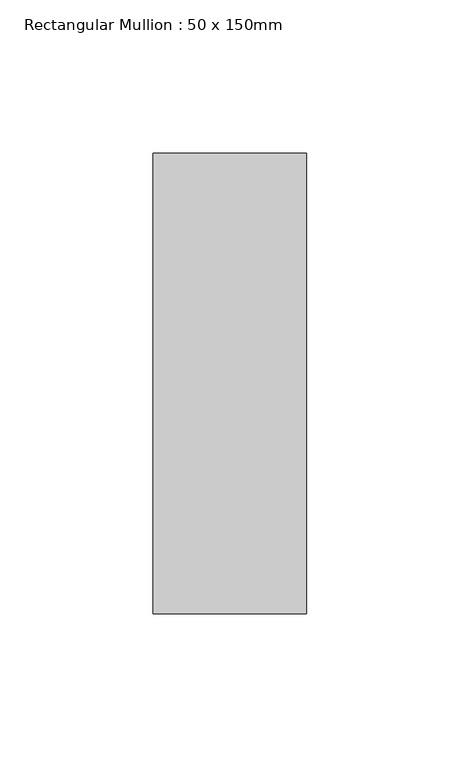
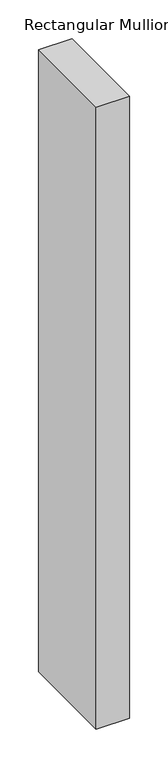
"""IFC4 building model written with IfcOpenShell, lengths in millimetres: member geometry, Rectangular Mullion : 50 x 150mm."""

from ifc_helpers import new_model, si_unit, frame, origin, place, context, project, spatial, polyline, outline, extrude, source, transform, mapped, element, save


def rectangular_mullion_50_x_150mm_dfca9d12(model_context):
    return source(origin(), model_context, "Body", "SweptSolid", [
        extrude(outline(polyline([(25.0, 75.0), (25.0, -75.0), (-25.0, -75.0), (-25.0, 75.0), (25.0, 75.0)])), frame((0.0, 0.0, -984.2832552), z_axis=(0.0, 0.0, 1.0), x_axis=(1.0, 0.0, 0.0)), (0.0, 0.0, 1.0), 984.2832552),
    ])


if __name__ == "__main__":
    model = new_model("IFC4")
    model_context = context("Model", 3, world=origin())
    ifc_project = project(units=[si_unit("LENGTHUNIT", "METRE", prefix="MILLI")], contexts=[model_context])
    site = spatial("IfcSite", under=ifc_project)
    building = spatial("IfcBuilding", under=site)
    placement = place(None, origin())
    rectangular_mullion_50_x_150mm_shape = rectangular_mullion_50_x_150mm_dfca9d12(model_context)
    element("IfcMember", 1, ObjectType="Rectangular Mullion : 50 x 150mm", at=placement, inside=building, context=model_context, shape_type="MappedRepresentation", body=[
        mapped(rectangular_mullion_50_x_150mm_shape, transform((0.0, 0.0, 0.0), x_axis=(1.0, 0.0, 0.0), y_axis=(0.0, 1.0, 0.0), z_axis=(0.0, 0.0, 1.0))),
    ])
    save(model, "model.ifc")
